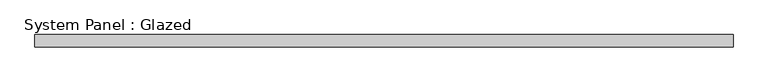
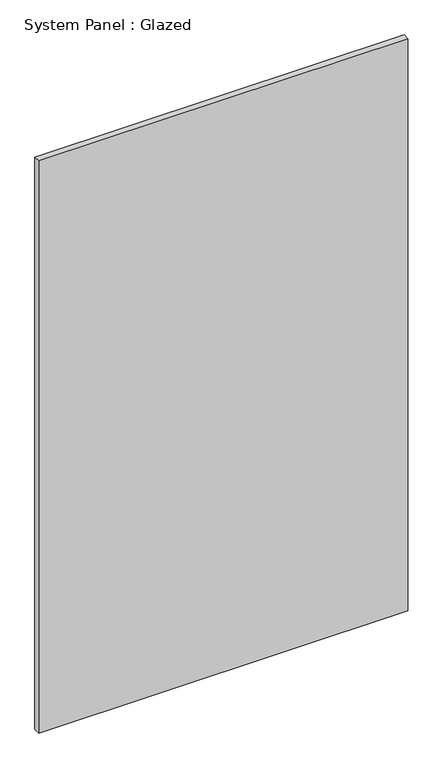
"""IFC4 building model written with IfcOpenShell, lengths in millimetres: plate geometry, System Panel : Glazed."""

from ifc_helpers import new_model, si_unit, origin, origin_with_axes, place, context, project, spatial, polyline, outline, extrude, source, transform, mapped, element, save


def system_panel_glazed_37503e61(model_context):
    return source(origin(), model_context, "Body", "SweptSolid", [
        extrude(outline(polyline([(709.4468374, 24.5), (-709.4468374, 24.5), (-709.4468374, 49.5), (709.4468374, 49.5), (709.4468374, 24.5)])), origin_with_axes(), (0.0, 0.0, 1.0), 2325.0),
    ])


if __name__ == "__main__":
    model = new_model("IFC4")
    model_context = context("Model", 3, world=origin())
    ifc_project = project(units=[si_unit("LENGTHUNIT", "METRE", prefix="MILLI")], contexts=[model_context])
    site = spatial("IfcSite", under=ifc_project)
    building = spatial("IfcBuilding", under=site)
    placement = place(None, origin())
    system_panel_glazed_shape = system_panel_glazed_37503e61(model_context)
    element("IfcPlate", 1, ObjectType="System Panel : Glazed", at=placement, inside=building, context=model_context, shape_type="MappedRepresentation", body=[
        mapped(system_panel_glazed_shape, transform((0.0, 0.0, 0.0), x_axis=(1.0, 0.0, 0.0), y_axis=(0.0, 1.0, 0.0), z_axis=(0.0, 0.0, 1.0))),
    ])
    save(model, "model.ifc")
